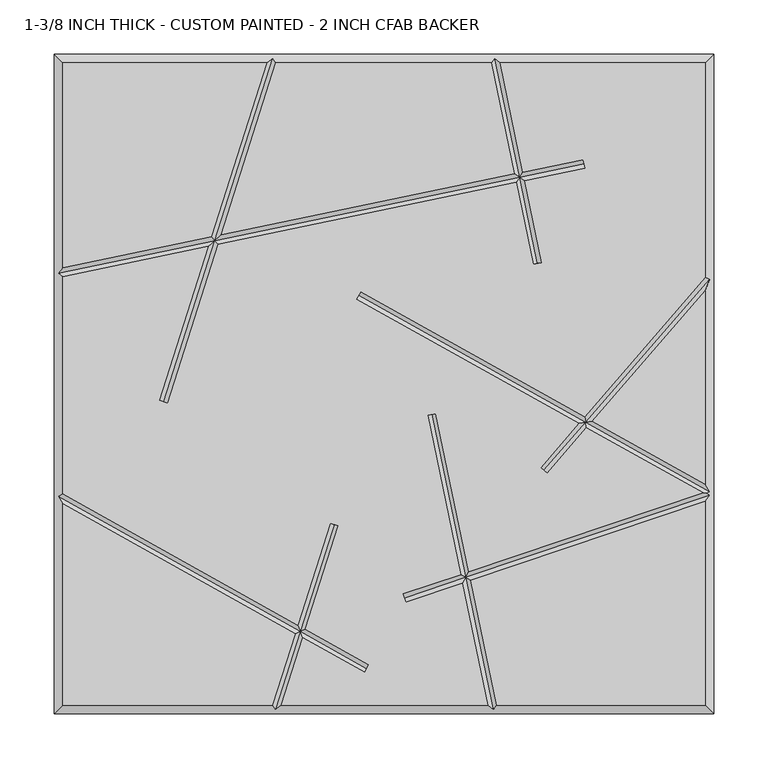
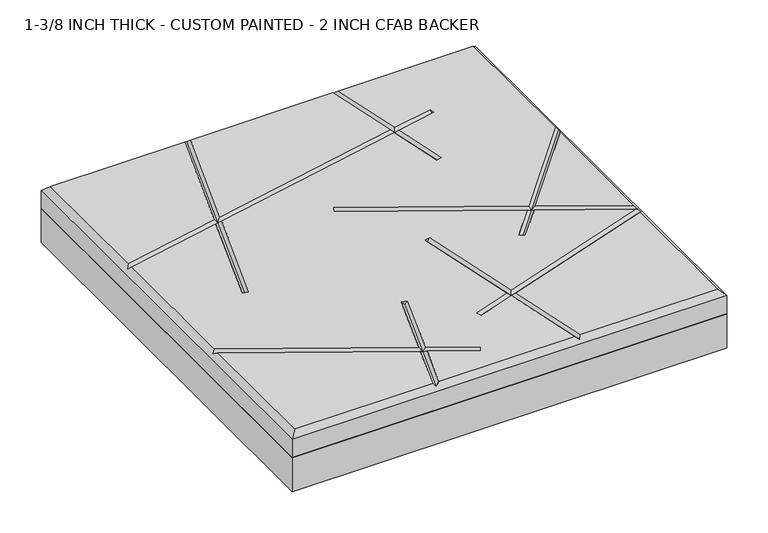
"""IFC4 building model written with IfcOpenShell, lengths in millimetres: proxy geometry, 1-3/8 INCH THICK - CUSTOM PAINTED - 2 INCH CFAB BACKER."""

from ifc_helpers import new_model, si_unit, frame, origin, place, context, project, spatial, polyline, outline, extrude, faceted_brep, source, transform, mapped, element, save


def proxy_1_3_8_inch_thick_custom_painted_2_inch_cfab_backer_3ee79874(model_context):
    return source(origin(), model_context, "Body", "SolidModel", [
        extrude(outline(polyline([(-304.8, 304.8), (304.8, 304.8), (304.8, -304.8), (-304.8, -304.8), (-304.8, 304.8)])), frame((0.0, 0.0, -50.8), z_axis=(0.0, 0.0, 1.0), x_axis=(1.0, 0.0, 0.0)), (0.0, 0.0, 1.0), 50.8),
        faceted_brep([(-296.799, 296.799, 34.925), (-296.799, 107.3480638, 34.925), (-159.4586078, 135.8795502, 34.925), (-108.3391886, 296.799, 34.925), (296.799, -296.799, 34.925), (296.799, -108.5119669, 34.925), (80.0538834, -181.4165569, 34.925), (104.0237625, -296.799, 34.925), (-296.799, -110.6534853, 34.925), (-296.799, -296.799, 34.925), (-103.2558195, -296.799, 34.925), (-82.2134891, -230.5595886, 34.925), (184.2546922, 207.2835354, 34.925), (185.8820968, 199.4497907, 34.925), (129.9840642, 187.8373734, 34.925), (145.7029214, 112.1724049, 34.925), (137.8691767, 110.5450004, 34.925), (122.1503195, 186.2099688, 34.925), (-153.2498082, 128.9975577, 34.925), (-199.8388724, -17.6607318, 34.925), (-207.4643565, -15.2383377, 34.925), (-162.2379804, 127.130329, 34.925), (-296.799, 99.1762375, 34.925), (-296.799, -101.4881131, 34.925), (-79.7408339, -222.7758868, 34.925), (-49.8549585, -128.6977715, 34.925), (-42.2294744, -131.1201655, 34.925), (-72.6113646, -226.7596921, 34.925), (-13.9611021, -259.5322889, 34.925), (-17.8639294, -266.516839, 34.925), (-75.0840198, -234.5433938, 34.925), (-94.8608114, -296.799, 34.925), (95.8519362, -296.799, 34.925), (72.4157815, -183.985716, 34.925), (20.0037035, -201.6150916, 34.925), (17.4529106, -194.0315926, 34.925), (70.7766593, -176.0955667, 34.925), (40.2072869, -28.9455186, 34.925), (48.0410316, -27.318114, 34.925), (78.4147612, -173.5264076, 34.925), (294.9653156, -100.6872606, 34.925), (187.1012518, -40.4149733, 34.925), (150.6770336, -82.4732231, 34.925), (144.6288963, -77.2352812, 34.925), (179.9685456, -36.4293593, 34.925), (-25.4958806, 78.3800638, 34.925), (-21.5930534, 85.3646139, 34.925), (185.3175947, -30.2529291, 34.925), (296.799, 98.472217, 34.925), (296.799, 296.799, 34.925), (107.3480638, 296.799, 34.925), (128.3566596, 195.671118, 34.925), (-99.9441805, 296.799, 34.925), (-150.4704356, 137.7467788, 34.925), (120.522915, 194.0437135, 34.925), (99.1762375, 296.799, 34.925), (192.4503009, -34.238543, 34.925), (296.799, -92.5465147, 34.925), (296.799, 86.2506228, 34.925), (-304.8, 304.8, 0.0), (304.8, 304.8, 0.0), (304.8, -304.8, 0.0), (-304.8, -304.8, 0.0), (-304.8, -304.8, 26.924), (-304.8, 304.8, 26.924), (304.8, -304.8, 26.924), (304.8, 304.8, 26.924), (-102.8708423, 300.7995, 30.9245), (102.4310753, 300.7995, 30.9245), (-300.7995, -103.8353996, 30.9245), (-300.7995, 102.4310753, 30.9245), (100.7689247, -300.7995, 30.9245), (-100.3291577, -300.7995, 30.9245), (300.7995, 96.9807099, 30.9245), (300.7995, -99.3646004, 30.9245), (298.0563573, -100.9741346, 33.6676427), (300.7995, -102.9456119, 30.9245), (185.0683945, 203.3666631, 30.9245), (-156.354208, 132.4385539, 30.9245), (125.2534896, 190.9405434, 30.9245), (-203.6516145, -16.4495347, 30.9245), (141.7860491, 111.3587027, 30.9245), (-23.544467, 81.8723389, 30.9245), (186.2094232, -35.3339512, 30.9245), (147.652965, -79.8542522, 30.9245), (18.728307, -197.8233421, 30.9245), (75.4152713, -178.7560618, 30.9245), (-15.9125158, -263.0245639, 30.9245), (-77.4124268, -228.6596403, 30.9245), (-46.0422164, -129.9089685, 30.9245), (44.1241593, -28.1318163, 30.9245)], [[[0, 1, 2, 3]], [[4, 5, 6, 7]], [[8, 9, 10, 11]], [[12, 13, 14, 15, 16, 17, 18, 19, 20, 21, 22, 23, 24, 25, 26, 27, 28, 29, 30, 31, 32, 33, 34, 35, 36, 37, 38, 39, 40, 41, 42, 43, 44, 45, 46, 47, 48, 49, 50, 51]], [[52, 53, 54, 55]], [[56, 57, 58]], [[59, 60, 61, 62]], [[59, 62, 63, 64]], [[62, 61, 65, 63]], [[61, 60, 66, 65]], [[60, 59, 64, 66]], [[64, 0, 3, 67, 52, 55, 68, 50, 49, 66]], [[0, 64, 63, 9, 8, 69, 23, 22, 70, 1]], [[9, 63, 65, 4, 7, 71, 32, 31, 72, 10]], [[66, 49, 48, 73, 58, 57, 74, 75, 76, 5, 4, 65]], [[12, 77, 13]], [[1, 70, 78, 2]], [[77, 12, 51, 79]], [[53, 78, 79, 54]], [[70, 22, 21, 78]], [[13, 77, 79, 14]], [[78, 18, 17, 79]], [[19, 80, 20]], [[80, 19, 18, 78]], [[67, 78, 53, 52]], [[20, 80, 78, 21]], [[78, 67, 3, 2]], [[15, 81, 16]], [[81, 15, 14, 79]], [[68, 79, 51, 50]], [[16, 81, 79, 17]], [[79, 68, 55, 54]], [[45, 82, 46]], [[74, 57, 56, 83]], [[46, 82, 83, 47]], [[82, 45, 44, 83]], [[74, 83, 41, 40, 75]], [[42, 84, 43]], [[84, 42, 41, 83]], [[73, 83, 56, 58]], [[43, 84, 83, 44]], [[83, 73, 48, 47]], [[34, 85, 35]], [[5, 76, 86, 6]], [[85, 34, 33, 86]], [[76, 75, 40, 39, 86]], [[35, 85, 86, 36]], [[28, 87, 29]], [[23, 69, 88, 24]], [[87, 28, 27, 88]], [[69, 8, 11, 88]], [[29, 87, 88, 30]], [[25, 89, 26]], [[89, 25, 24, 88]], [[72, 88, 11, 10]], [[26, 89, 88, 27]], [[88, 72, 31, 30]], [[37, 90, 38]], [[90, 37, 36, 86]], [[71, 86, 33, 32]], [[38, 90, 86, 39]], [[86, 71, 7, 6]]]),
    ])


if __name__ == "__main__":
    model = new_model("IFC4")
    model_context = context("Model", 3, world=origin())
    ifc_project = project(units=[si_unit("LENGTHUNIT", "METRE", prefix="MILLI")], contexts=[model_context])
    site = spatial("IfcSite", under=ifc_project)
    building = spatial("IfcBuilding", under=site)
    placement = place(None, origin())
    proxy_1_3_8_inch_thick_custom_painted_2_inch_cfab_backer_shape = proxy_1_3_8_inch_thick_custom_painted_2_inch_cfab_backer_3ee79874(model_context)
    element("IfcBuildingElementProxy", 1, Name="1-3/8 INCH THICK - CUSTOM PAINTED - 2 INCH CFAB BACKER", ObjectType="1-3/8 INCH THICK - CUSTOM PAINTED - 2 INCH CFAB BACKER", at=placement, inside=building, context=model_context, shape_type="MappedRepresentation", body=[
        mapped(proxy_1_3_8_inch_thick_custom_painted_2_inch_cfab_backer_shape, transform((0.0, 0.0, 0.0), x_axis=(1.0, 0.0, 0.0), y_axis=(0.0, 1.0, 0.0), z_axis=(0.0, 0.0, 1.0))),
    ])
    save(model, "model.ifc")
